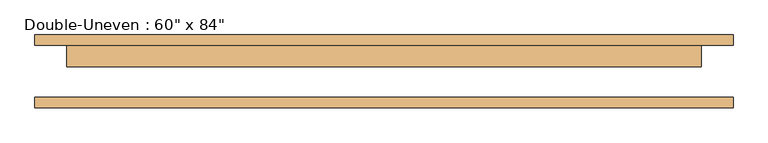
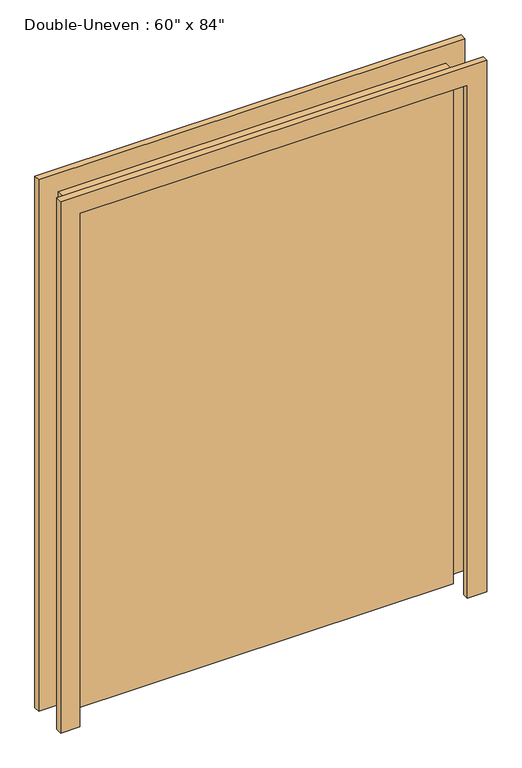
"""IFC4 building model written with IfcOpenShell, lengths in millimetres: door geometry."""

from ifc_helpers import new_model, si_unit, frame, origin, origin_with_axes, place, context, project, spatial, polyline, outline, extrude, source, transform, mapped, element, save


def door_3f805dec(model_context):
    return source(origin(), model_context, "Body", "SweptSolid", [
        extrude(outline(polyline([(101.6, 61.9125), (101.6, 11.1125), (-1422.4, 11.1125), (-1422.4, 61.9125), (101.6, 61.9125)])), origin_with_axes(), (0.0, 0.0, 1.0), 2133.6),
        extrude(outline(polyline([(2133.6, -1422.4), (2133.6, 101.6), (0.0, 101.6), (0.0, 177.8), (2209.8, 177.8), (2209.8, -1498.6), (0.0, -1498.6), (0.0, -1422.4), (2133.6, -1422.4)])), frame((0.0, -87.3125, 0.0), z_axis=(0.0, 1.0, 0.0), x_axis=(0.0, 0.0, 1.0)), (0.0, 0.0, 1.0), 25.4),
        extrude(outline(polyline([(2133.6, -1422.4), (2133.6, 101.6), (0.0, 101.6), (0.0, 177.8), (2209.8, 177.8), (2209.8, -1498.6), (0.0, -1498.6), (0.0, -1422.4), (2133.6, -1422.4)])), frame((0.0, 61.9125, 0.0), z_axis=(0.0, 1.0, 0.0), x_axis=(0.0, 0.0, 1.0)), (0.0, 0.0, 1.0), 25.4),
    ])


if __name__ == "__main__":
    model = new_model("IFC4")
    model_context = context("Model", 3, world=origin())
    ifc_project = project(units=[si_unit("LENGTHUNIT", "METRE", prefix="MILLI")], contexts=[model_context])
    site = spatial("IfcSite", under=ifc_project)
    building = spatial("IfcBuilding", under=site)
    placement = place(None, origin())
    door_shape = door_3f805dec(model_context)
    element("IfcDoor", 1, ObjectType="Double-Uneven : 60\" x 84\"", at=placement, inside=building, context=model_context, shape_type="MappedRepresentation", body=[
        mapped(door_shape, transform((0.0, 0.0, 0.0), x_axis=(1.0, 0.0, 0.0), y_axis=(0.0, 1.0, 0.0), z_axis=(0.0, 0.0, 1.0))),
    ])
    save(model, "model.ifc")
